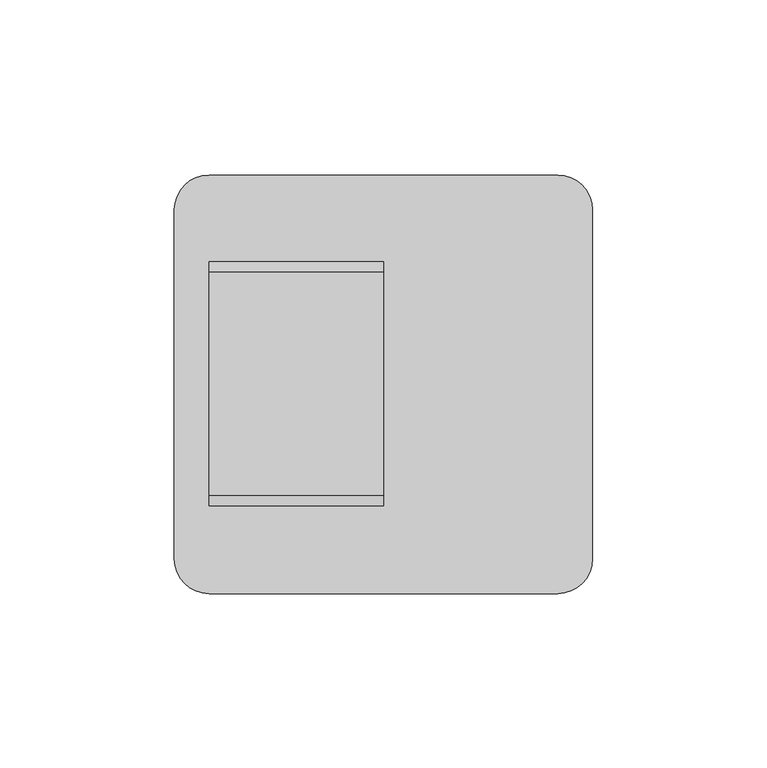
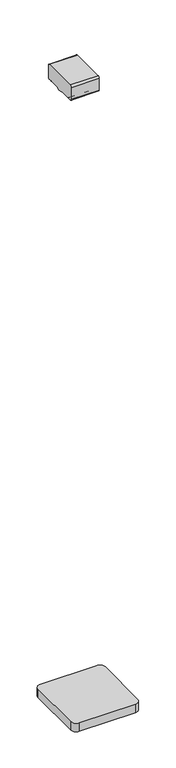
"""IFC4 building model written with IfcOpenShell, lengths in millimetres: railing geometry."""

import ifcopenshell
import ifcopenshell.guid

model = None  # the IFC model being written
_history = None  # IfcOwnerHistory: only IFC2X3 demands one
_inside = {}  # id of a spatial element -> (the spatial element, [elements in it])
_under = {}  # id of a project, library or spatial element -> (it, [spatial elements below it])
_declared = {}  # id of a project -> (the project, [libraries it declares])
_typed = {}  # id of a type object -> (the type object, [elements of that type])
_made_of = {}  # id of a material, layer set ... -> (it, [elements and type objects made of it])


def new_model(schema):
    """Start an empty IFC model of exactly this schema.

    Asked for "IFC4X3", IfcOpenShell would pick the latest addendum, in which some entities
    have other attributes; the version numbers below select the first issue.
    IFC2X3 requires an IfcOwnerHistory on every rooted entity: one is made here for all.
    """
    global model, _history
    if schema == "IFC4X3":
        model = ifcopenshell.file(schema_version=(4, 3, 0, 0))
    else:
        model = ifcopenshell.file(schema=schema)
    _inside.clear()
    _under.clear()
    _declared.clear()
    _typed.clear()
    _made_of.clear()
    _history = None
    if model.schema == "IFC2X3":
        org = make("IfcOrganization", Name="unknown")
        user = make(
            "IfcPersonAndOrganization",
            ThePerson=make("IfcPerson", FamilyName="unknown"),
            TheOrganization=org,
        )
        app = make(
            "IfcApplication",
            ApplicationDeveloper=org,
            Version="unknown",
            ApplicationFullName="unknown",
            ApplicationIdentifier="unknown",
        )
        _history = make(
            "IfcOwnerHistory",
            OwningUser=user,
            OwningApplication=app,
            ChangeAction="ADDED",
            CreationDate=0,
        )
    return model


def make(cls, **values):
    """One entity of the class cls with the attributes given. An attribute that is None is left unset."""
    return model.create_entity(
        cls, **{name: value for name, value in values.items() if value is not None}
    )


def rooted(cls, **values):
    """An entity with a GlobalId (a new one), such as an element, a storey or a relation."""
    return make(cls, GlobalId=ifcopenshell.guid.new(), OwnerHistory=_history, **values)


def si_unit(unit_type, name, prefix=None):
    """IfcSIUnit, for example si_unit("LENGTHUNIT", "METRE", prefix="MILLI")."""
    return make("IfcSIUnit", UnitType=unit_type, Prefix=prefix, Name=name)


def assignment(units):
    """IfcUnitAssignment: the units of a project."""
    return None if units is None else make("IfcUnitAssignment", Units=units)


def point(xyz):
    """IfcCartesianPoint."""
    return None if xyz is None else make("IfcCartesianPoint", Coordinates=xyz)


def direction(xyz):
    """IfcDirection."""
    return None if xyz is None else make("IfcDirection", DirectionRatios=xyz)


def frame(location, z_axis=None, x_axis=None):
    """IfcAxis2Placement3D, a coordinate frame: its origin and axes. An axis left out is left unset."""
    return make(
        "IfcAxis2Placement3D",
        Location=point(location),
        Axis=direction(z_axis),
        RefDirection=direction(x_axis),
    )


def frame_2d(location, x_axis=None):
    """IfcAxis2Placement2D, a coordinate frame in the plane: its origin and x axis."""
    return make(
        "IfcAxis2Placement2D", Location=point(location), RefDirection=direction(x_axis)
    )


def origin():
    """The frame at (0, 0, 0) with its axes left unset."""
    return frame((0.0, 0.0, 0.0))


def origin_with_axes():
    """The frame at (0, 0, 0) with the z axis (0, 0, 1) and the x axis (1, 0, 0) written out."""
    return frame((0.0, 0.0, 0.0), z_axis=(0.0, 0.0, 1.0), x_axis=(1.0, 0.0, 0.0))


def place(relative_to, where):
    """IfcLocalPlacement: puts the frame where relative to a parent placement (None: the world)."""
    return make(
        "IfcLocalPlacement", PlacementRelTo=relative_to, RelativePlacement=where
    )


def context(
    kind, dimensions, precision=None, world=None, true_north=None, identifier=None
):
    """IfcGeometricRepresentationContext, for example the 3D "Model" context."""
    return make(
        "IfcGeometricRepresentationContext",
        ContextIdentifier=identifier,
        ContextType=kind,
        CoordinateSpaceDimension=dimensions,
        Precision=precision,
        WorldCoordinateSystem=world,
        TrueNorth=true_north,
    )


def project(units=None, contexts=None):
    """IfcProject with its units and contexts."""
    return rooted(
        "IfcProject",
        Name="project",
        RepresentationContexts=contexts,
        UnitsInContext=assignment(units),
    )


def spatial(cls, under=None, at=None, **own):
    """A site, building, storey or space (cls), placed at a placement, below another one or the project."""
    s = rooted(cls, ObjectPlacement=at, **own)
    if under is not None:
        _under.setdefault(under.id(), (under, []))[1].append(s)
    return s


def polyline(points):
    """IfcPolyline through the points."""
    return make("IfcPolyline", Points=[point(p) for p in points])


def circle_curve(where, radius):
    """IfcCircle in the frame where."""
    return make("IfcCircle", Position=where, Radius=radius)


def trimmed(basis, trim1, trim2, sense, master):
    """IfcTrimmedCurve: the piece of a basis curve between two trims."""
    return make(
        "IfcTrimmedCurve",
        BasisCurve=basis,
        Trim1=trim1,
        Trim2=trim2,
        SenseAgreement=sense,
        MasterRepresentation=master,
    )


def segment(curve, same_sense, transition):
    """IfcCompositeCurveSegment."""
    return make(
        "IfcCompositeCurveSegment",
        Transition=transition,
        SameSense=same_sense,
        ParentCurve=curve,
    )


def composite_curve(segments, self_intersect=None):
    """IfcCompositeCurve: segments joined end to end."""
    return make("IfcCompositeCurve", Segments=segments, SelfIntersect=self_intersect)


def outline(outer, holes=None, kind="AREA"):
    """IfcArbitraryClosedProfileDef: a profile drawn as a closed curve; with holes, ...WithVoids."""
    if holes is None:
        return make("IfcArbitraryClosedProfileDef", ProfileType=kind, OuterCurve=outer)
    return make(
        "IfcArbitraryProfileDefWithVoids",
        ProfileType=kind,
        OuterCurve=outer,
        InnerCurves=holes,
    )


def extrude(swept, where, along, depth):
    """IfcExtrudedAreaSolid: the profile swept, set in the frame where, extruded along a direction by depth."""
    return make(
        "IfcExtrudedAreaSolid",
        SweptArea=swept,
        Position=where,
        ExtrudedDirection=direction(along),
        Depth=depth,
    )


def shape(context_of_items, identifier, shape_type, items):
    """IfcShapeRepresentation: the items that make up one representation, for example the "Body"."""
    return make(
        "IfcShapeRepresentation",
        ContextOfItems=context_of_items,
        RepresentationIdentifier=identifier,
        RepresentationType=shape_type,
        Items=items,
    )


def source(mapping_origin, context_of_items, identifier, shape_type, items):
    """IfcRepresentationMap: a shape defined once, which mapped items show again and again."""
    return make(
        "IfcRepresentationMap",
        MappingOrigin=mapping_origin,
        MappedRepresentation=shape(context_of_items, identifier, shape_type, items),
    )


def transform(
    local_origin,
    x_axis=None,
    y_axis=None,
    z_axis=None,
    scale=None,
    scale2=None,
    scale3=None,
    uniform=True,
):
    """IfcCartesianTransformationOperator3D, or its non-uniform kind. x_axis, y_axis, z_axis: its Axis1, 2, 3."""
    if uniform:
        return make(
            "IfcCartesianTransformationOperator3D",
            Axis1=direction(x_axis),
            Axis2=direction(y_axis),
            LocalOrigin=point(local_origin),
            Scale=scale,
            Axis3=direction(z_axis),
        )
    return make(
        "IfcCartesianTransformationOperator3DnonUniform",
        Axis1=direction(x_axis),
        Axis2=direction(y_axis),
        LocalOrigin=point(local_origin),
        Scale=scale,
        Axis3=direction(z_axis),
        Scale2=scale2,
        Scale3=scale3,
    )


def mapped(mapping_source, mapping_target):
    """IfcMappedItem: shows the shape of a source again, moved by a transform."""
    return make(
        "IfcMappedItem", MappingSource=mapping_source, MappingTarget=mapping_target
    )


def made_of(thing, what):
    """Note that an element or type object is made of a material, layer set ...; save() writes the relation."""
    if what is not None:
        _made_of.setdefault(what.id(), (what, []))[1].append(thing)
    return thing


def element(
    cls,
    number,
    at=None,
    inside=None,
    cuts=None,
    type_object=None,
    material=None,
    context=None,
    identifier="Body",
    shape_type=None,
    held_by="IfcProductDefinitionShape",
    body=None,
    shapes=None,
    **own,
):
    """One element of the class cls, such as IfcWall. Its Tag is "e" and its number.

    at: its placement. inside: the storey or other place that contains it. cuts: it is an
    opening in that element (IfcRelVoidsElement). A single representation is given by context,
    identifier, shape_type and body (its items); several are given by shapes. held_by: the class
    of the entity that holds the representations. save() writes the other relations.
    """
    e = rooted(cls, Tag="e%d" % number, ObjectPlacement=at, **own)
    if body is not None:
        shapes = [shape(context, identifier, shape_type, body)]
    if shapes is not None:
        e.Representation = make(held_by, Representations=shapes)
    if inside is not None:
        _inside.setdefault(inside.id(), (inside, []))[1].append(e)
    if cuts is not None:
        rooted(
            "IfcRelVoidsElement", RelatingBuildingElement=cuts, RelatedOpeningElement=e
        )
    if type_object is not None:
        _typed.setdefault(type_object.id(), (type_object, []))[1].append(e)
    return made_of(e, material)


def aggregate(whole, parts):
    """IfcRelAggregates: a whole, such as a stair, and the parts it consists of."""
    return rooted("IfcRelAggregates", RelatingObject=whole, RelatedObjects=parts)


def save(model, path):
    """Write the relations noted so far, then the file.

    IfcRelAggregates (storeys below a building ...), IfcRelContainedInSpatialStructure (elements
    in a storey), IfcRelDefinesByType, IfcRelAssociatesMaterial and IfcRelDeclares: one each for
    every whole, place, type object, material and project.
    """
    for whole, parts in _under.values():
        aggregate(whole, parts)
    for where, things in _inside.values():
        rooted(
            "IfcRelContainedInSpatialStructure",
            RelatedElements=things,
            RelatingStructure=where,
        )
    for kind, things in _typed.values():
        rooted("IfcRelDefinesByType", RelatedObjects=things, RelatingType=kind)
    for what, things in _made_of.values():
        rooted("IfcRelAssociatesMaterial", RelatedObjects=things, RelatingMaterial=what)
    for by, libraries in _declared.values():
        rooted("IfcRelDeclares", RelatingContext=by, RelatedDefinitions=libraries)
    model.write(path)


def railing_56f75254(model_context):
    return source(origin(), model_context, "Body", "SweptSolid", [
        extrude(outline(composite_curve([segment(trimmed(circle_curve(frame_2d((3641.394681, 9735.8508151)), 10.0), [point((3631.394681, 9735.8508151))], [point((3641.394681, 9745.8508151))], False, "CARTESIAN"), True, "CONTINUOUS"), segment(polyline([(3641.394681, 9745.8508151), (3741.394681, 9745.8508151)]), True, "CONTINUOUS"), segment(trimmed(circle_curve(frame_2d((3741.394681, 9735.8508151)), 10.0), [point((3741.394681, 9745.8508151))], [point((3751.394681, 9735.8508151))], False, "CARTESIAN"), True, "CONTINUOUS"), segment(polyline([(3751.394681, 9735.8508151), (3751.394681, 9635.8508151)]), True, "CONTINUOUS"), segment(trimmed(circle_curve(frame_2d((3741.394681, 9635.8508151)), 10.0), [point((3751.394681, 9635.8508151))], [point((3741.394681, 9625.8508151))], False, "CARTESIAN"), True, "CONTINUOUS"), segment(polyline([(3741.394681, 9625.8508151), (3641.394681, 9625.8508151)]), True, "CONTINUOUS"), segment(trimmed(circle_curve(frame_2d((3641.394681, 9635.8508151)), 10.0), [point((3641.394681, 9625.8508151))], [point((3631.394681, 9635.8508151))], False, "CARTESIAN"), True, "CONTINUOUS"), segment(polyline([(3631.394681, 9635.8508151), (3631.394681, 9735.8508151)]), True, "CONTINUOUS")], self_intersect=False)), origin_with_axes(), (0.0, 0.0, 1.0), 16.0),
        extrude(outline(composite_curve([segment(trimmed(circle_curve(frame_2d((9717.8460333, 1197.0)), 3.0), [point((9717.8460333, 1200.0))], [point((9720.8460333, 1197.0))], False, "CARTESIAN"), True, "CONTINUOUS"), segment(polyline([(9720.8460333, 1197.0), (9720.8460333, 1174.8)]), True, "CONTINUOUS"), segment(trimmed(circle_curve(frame_2d((9717.8460333, 1174.8)), 3.0), [point((9720.8460333, 1174.8))], [point((9717.8460333, 1171.8))], False, "CARTESIAN"), True, "CONTINUOUS"), segment(polyline([(9717.8460333, 1171.8), (9712.9961193, 1171.8)]), True, "CONTINUOUS"), segment(trimmed(circle_curve(frame_2d((9712.9961193, 1172.7286632)), 0.9286632), [point((9712.9961193, 1171.8))], [point((9712.0960471, 1172.5000033))], False, "CARTESIAN"), True, "CONTINUOUS"), segment(trimmed(circle_curve(frame_2d((9711.5960471, 1172.5000003)), 0.5), [point((9712.0960471, 1172.5000033))], [point((9711.5960471, 1172.0000003))], False, "CARTESIAN"), True, "CONTINUOUS"), segment(polyline([(9711.5960471, 1172.0000003), (9694.5751393, 1172.0000003)]), True, "CONTINUOUS"), segment(trimmed(circle_curve(frame_2d((9685.8508208, 1188.8785723)), 18.999998), [point((9694.5751393, 1172.0000003))], [point((9677.1265024, 1172.0000003))], False, "CARTESIAN"), True, "CONTINUOUS"), segment(polyline([(9677.1265024, 1172.0000003), (9660.0960436, 1172.0000003)]), True, "CONTINUOUS"), segment(trimmed(circle_curve(frame_2d((9660.0960436, 1172.5000003)), 0.5), [point((9660.0960436, 1172.0000003))], [point((9659.5960436, 1172.5000033))], False, "CARTESIAN"), True, "CONTINUOUS"), segment(trimmed(circle_curve(frame_2d((9658.6961402, 1172.7284461)), 0.9284461), [point((9659.5960436, 1172.5000033))], [point((9658.6961402, 1171.8))], False, "CARTESIAN"), True, "CONTINUOUS"), segment(polyline([(9658.6961402, 1171.8), (9653.8460333, 1171.8)]), True, "CONTINUOUS"), segment(trimmed(circle_curve(frame_2d((9653.8460333, 1174.8)), 3.0), [point((9653.8460333, 1171.8))], [point((9650.8460333, 1174.8))], False, "CARTESIAN"), True, "CONTINUOUS"), segment(polyline([(9650.8460333, 1174.8), (9650.8460333, 1197.0)]), True, "CONTINUOUS"), segment(trimmed(circle_curve(frame_2d((9653.8460333, 1197.0)), 3.0), [point((9650.8460333, 1197.0))], [point((9653.8460333, 1200.0))], False, "CARTESIAN"), True, "CONTINUOUS"), segment(polyline([(9653.8460333, 1200.0), (9717.8460333, 1200.0)]), True, "CONTINUOUS")], self_intersect=False)), frame((3641.3946925, 0.0, 0.0), z_axis=(1.0, 0.0, 0.0), x_axis=(0.0, 1.0, 0.0)), (0.0, 0.0, 1.0), 50.0),
    ])


if __name__ == "__main__":
    model = new_model("IFC4")
    model_context = context("Model", 3, world=origin())
    ifc_project = project(units=[si_unit("LENGTHUNIT", "METRE", prefix="MILLI")], contexts=[model_context])
    site = spatial("IfcSite", under=ifc_project)
    building = spatial("IfcBuilding", under=site)
    placement = place(None, origin())
    railing_shape = railing_56f75254(model_context)
    element("IfcRailing", 1, at=placement, inside=building, context=model_context, shape_type="MappedRepresentation", body=[
        mapped(railing_shape, transform((0.0, 0.0, 0.0), x_axis=(1.0, 0.0, 0.0), y_axis=(0.0, 1.0, 0.0), z_axis=(0.0, 0.0, 1.0))),
    ])
    save(model, "model.ifc")
